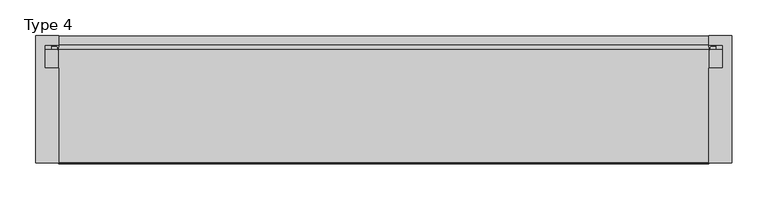
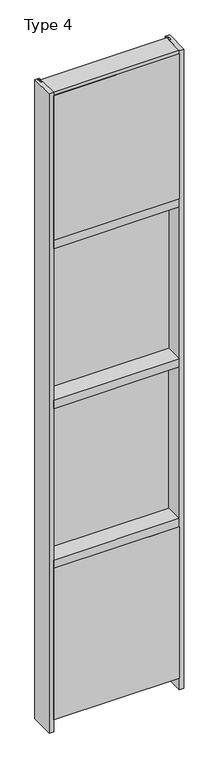
"""IFC4 building model written with IfcOpenShell, lengths in millimetres: plate geometry, Type 4."""

from ifc_helpers import new_model, si_unit, point, frame, frame_2d, origin, place, context, project, spatial, polyline, circle_curve, trimmed, segment, composite_curve, outline, extrude, source, transform, mapped, element, save


def type_4_b07758ad(model_context):
    return source(origin(), model_context, "Body", "SweptSolid", [
        extrude(outline(composite_curve([segment(polyline([(-454.1015008, 34.0361122), (-454.5124462, 27.686), (-455.4789521, 27.686), (-455.5064595, 31.7563748)]), True, "CONTINUOUS"), segment(trimmed(circle_curve(frame_2d((-456.141445, 31.7520836)), 0.635), [point((-455.5064595, 31.7563748))], [point((-456.1063642, 32.3861138))], True, "CARTESIAN"), True, "CONTINUOUS"), segment(polyline([(-456.1063642, 32.3861138), (-462.8617251, 32.7598869)]), True, "CONTINUOUS"), segment(trimmed(circle_curve(frame_2d((-462.6791718, 33.7593519)), 1.016), [point((-462.8617251, 32.7598869))], [point((-463.6567504, 34.0361122))], False, "CARTESIAN"), True, "CONTINUOUS"), segment(polyline([(-463.6567504, 34.0361122), (-454.1015008, 34.0361122)]), True, "CONTINUOUS")], self_intersect=False)), frame((0.0, 0.0, 3678.5728643), z_axis=(0.0, 0.0, 1.0), x_axis=(1.0, 0.0, 0.0)), (0.0, 0.0, 1.0), 1134.7271357),
        extrude(outline(composite_curve([segment(polyline([(454.5124462, 27.686), (454.1015008, 34.0361122), (463.6567504, 34.0361122)]), True, "CONTINUOUS"), segment(trimmed(circle_curve(frame_2d((462.6791718, 33.7593519)), 1.016), [point((463.6567504, 34.0361122))], [point((462.8617251, 32.7598869))], False, "CARTESIAN"), True, "CONTINUOUS"), segment(polyline([(462.8617251, 32.7598869), (456.1063642, 32.3861138)]), True, "CONTINUOUS"), segment(trimmed(circle_curve(frame_2d((456.141445, 31.7520836)), 0.635), [point((456.1063642, 32.3861138))], [point((455.5064595, 31.7563748))], True, "CARTESIAN"), True, "CONTINUOUS"), segment(polyline([(455.5064595, 31.7563748), (455.4789521, 27.686), (454.5124462, 27.686)]), True, "CONTINUOUS")], self_intersect=False)), frame((0.0, 0.0, 3678.5728643), z_axis=(0.0, 0.0, 1.0), x_axis=(1.0, 0.0, 0.0)), (0.0, 0.0, 1.0), 1134.7271357),
        extrude(outline(polyline([(34.0361122, 3678.5728643), (27.686, 3678.5728643), (27.686, 3691.0771952), (34.0361122, 3689.3238955), (34.0361122, 3678.5728643)])), frame((-463.6567504, 0.0, 0.0), z_axis=(1.0, 0.0, 0.0), x_axis=(0.0, 1.0, 0.0)), (0.0, 0.0, 1.0), 927.3135007),
        extrude(outline(polyline([(454.025, -48.514), (454.025, -131.0159103), (-454.025, -131.0159103), (-454.025, -48.514), (454.025, -48.514)])), frame((0.0, 0.0, 3689.35), z_axis=(0.0, 0.0, 1.0), x_axis=(1.0, 0.0, 0.0)), (0.0, 0.0, 1.0), 1104.9),
        extrude(outline(polyline([(473.075, 27.686), (473.075, 2.286), (-473.075, 2.286), (-473.075, 27.686), (473.075, 27.686)])), frame((0.0, 0.0, 3670.3), z_axis=(0.0, 0.0, 1.0), x_axis=(1.0, 0.0, 0.0)), (0.0, 0.0, 1.0), 1143.0),
        extrude(outline(polyline([(27.686, 2471.8752684), (34.036, 2470.1219997), (34.036, 2459.3709644), (27.686, 2459.3709644), (27.686, 2471.8752684)])), frame((-463.6578713, 0.0, 0.0), z_axis=(1.0, 0.0, 0.0), x_axis=(0.0, 1.0, 0.0)), (0.0, 0.0, 1.0), 927.3157427),
        extrude(outline(polyline([(27.6860992, 3636.6309356), (34.0360992, 3636.6309356), (34.0360992, 3625.8798775), (27.6860992, 3624.1266088), (27.6860992, 3636.6309356)])), frame((-463.6578713, 0.0, 0.0), z_axis=(1.0, 0.0, 0.0), x_axis=(0.0, 1.0, 0.0)), (0.0, 0.0, 1.0), 927.3157427),
        extrude(outline(composite_curve([segment(trimmed(circle_curve(frame_2d((-456.1425342, 31.7520836)), 0.635), [point((-455.5075487, 31.7563748))], [point((-456.1074534, 32.3861138))], True, "CARTESIAN"), True, "CONTINUOUS"), segment(polyline([(-456.1074534, 32.3861138), (-462.8628143, 32.7598869)]), True, "CONTINUOUS"), segment(trimmed(circle_curve(frame_2d((-462.6802611, 33.7593519)), 1.016), [point((-462.8628143, 32.7598869))], [point((-463.6578713, 34.036))], False, "CARTESIAN"), True, "CONTINUOUS"), segment(polyline([(-463.6578713, 34.036), (-454.1025972, 34.036), (-454.5135354, 27.686), (-455.4800413, 27.686), (-455.5075487, 31.7563748)]), True, "CONTINUOUS")], self_intersect=False)), frame((0.0, 0.0, 2459.3709644), z_axis=(0.0, 0.0, 1.0), x_axis=(1.0, 0.0, 0.0)), (0.0, 0.0, 1.0), 1177.2580861),
        extrude(outline(composite_curve([segment(polyline([(454.5135354, 27.686), (454.1025972, 34.036), (463.6578713, 34.036)]), True, "CONTINUOUS"), segment(trimmed(circle_curve(frame_2d((462.6802611, 33.7593519)), 1.016), [point((463.6578713, 34.036))], [point((462.8628143, 32.7598869))], False, "CARTESIAN"), True, "CONTINUOUS"), segment(polyline([(462.8628143, 32.7598869), (456.1074534, 32.3861138)]), True, "CONTINUOUS"), segment(trimmed(circle_curve(frame_2d((456.1425342, 31.7520836)), 0.635), [point((456.1074534, 32.3861138))], [point((455.5075487, 31.7563748))], True, "CARTESIAN"), True, "CONTINUOUS"), segment(polyline([(455.5075487, 31.7563748), (455.4800413, 27.686), (454.5135354, 27.686)]), True, "CONTINUOUS")], self_intersect=False)), frame((0.0, 0.0, 2459.3709644), z_axis=(0.0, 0.0, 1.0), x_axis=(1.0, 0.0, 0.0)), (0.0, 0.0, 1.0), 1177.2580861),
        extrude(outline(polyline([(473.0760892, 27.686), (473.0760892, 2.286), (-473.0760892, 2.286), (-473.0760892, 27.686), (473.0760892, 27.686)])), frame((0.0, 0.0, 2451.0962001), z_axis=(0.0, 0.0, 1.0), x_axis=(1.0, 0.0, 0.0)), (0.0, 0.0, 1.0), 1193.8037999),
        extrude(outline(polyline([(-485.775, -130.5814), (-485.775, 47.2186), (-454.0239108, 47.2186), (-454.0239108, 34.036), (-473.075, 34.036), (-473.075, 2.286), (-454.025, 2.286), (-454.025, -130.5814), (-485.775, -130.5814)])), frame((0.0, 0.0, -57.15), z_axis=(0.0, 0.0, 1.0), x_axis=(1.0, 0.0, 0.0)), (0.0, 0.0, 1.0), 4876.8),
        extrude(outline(polyline([(485.775, -130.5814), (454.025, -130.5814), (454.025, 2.286), (473.075, 2.286), (473.075, 34.036), (454.0239108, 34.036), (454.0239108, 47.2186), (485.775, 47.2186), (485.775, -130.5814)])), frame((0.0, 0.0, -57.15), z_axis=(0.0, 0.0, 1.0), x_axis=(1.0, 0.0, 0.0)), (0.0, 0.0, 1.0), 4876.8),
        extrude(outline(polyline([(27.686, 1252.6752684), (34.036, 1250.9219997), (34.036, 1240.1709644), (27.686, 1240.1709644), (27.686, 1252.6752684)])), frame((-463.6578713, 0.0, 0.0), z_axis=(1.0, 0.0, 0.0), x_axis=(0.0, 1.0, 0.0)), (0.0, 0.0, 1.0), 927.3157427),
        extrude(outline(polyline([(27.6860992, 2417.4309356), (34.0360992, 2417.4309356), (34.0360992, 2406.6798775), (27.6860992, 2404.9266088), (27.6860992, 2417.4309356)])), frame((-463.6578713, 0.0, 0.0), z_axis=(1.0, 0.0, 0.0), x_axis=(0.0, 1.0, 0.0)), (0.0, 0.0, 1.0), 927.3157427),
        extrude(outline(composite_curve([segment(trimmed(circle_curve(frame_2d((-456.1425342, 31.7520836)), 0.635), [point((-455.5075487, 31.7563748))], [point((-456.1074534, 32.3861138))], True, "CARTESIAN"), True, "CONTINUOUS"), segment(polyline([(-456.1074534, 32.3861138), (-462.8628143, 32.7598869)]), True, "CONTINUOUS"), segment(trimmed(circle_curve(frame_2d((-462.6802611, 33.7593519)), 1.016), [point((-462.8628143, 32.7598869))], [point((-463.6578713, 34.036))], False, "CARTESIAN"), True, "CONTINUOUS"), segment(polyline([(-463.6578713, 34.036), (-454.1025972, 34.036), (-454.5135354, 27.686), (-455.4800413, 27.686), (-455.5075487, 31.7563748)]), True, "CONTINUOUS")], self_intersect=False)), frame((0.0, 0.0, 1240.1709644), z_axis=(0.0, 0.0, 1.0), x_axis=(1.0, 0.0, 0.0)), (0.0, 0.0, 1.0), 1177.2580861),
        extrude(outline(composite_curve([segment(polyline([(454.5135354, 27.686), (454.1025972, 34.036), (463.6578713, 34.036)]), True, "CONTINUOUS"), segment(trimmed(circle_curve(frame_2d((462.6802611, 33.7593519)), 1.016), [point((463.6578713, 34.036))], [point((462.8628143, 32.7598869))], False, "CARTESIAN"), True, "CONTINUOUS"), segment(polyline([(462.8628143, 32.7598869), (456.1074534, 32.3861138)]), True, "CONTINUOUS"), segment(trimmed(circle_curve(frame_2d((456.1425342, 31.7520836)), 0.635), [point((456.1074534, 32.3861138))], [point((455.5075487, 31.7563748))], True, "CARTESIAN"), True, "CONTINUOUS"), segment(polyline([(455.5075487, 31.7563748), (455.4800413, 27.686), (454.5135354, 27.686)]), True, "CONTINUOUS")], self_intersect=False)), frame((0.0, 0.0, 1240.1709644), z_axis=(0.0, 0.0, 1.0), x_axis=(1.0, 0.0, 0.0)), (0.0, 0.0, 1.0), 1177.2580861),
        extrude(outline(polyline([(473.0760892, 27.686), (473.0760892, 2.286), (-473.0760892, 2.286), (-473.0760892, 27.686), (473.0760892, 27.686)])), frame((0.0, 0.0, 1231.8962001), z_axis=(0.0, 0.0, 1.0), x_axis=(1.0, 0.0, 0.0)), (0.0, 0.0, 1.0), 1193.8037999),
        extrude(outline(composite_curve([segment(polyline([(34.0360974, 1198.2282838), (34.0360974, 1187.3659828)]), True, "CONTINUOUS"), segment(trimmed(circle_curve(frame_2d((38.5198748, 1162.3648681)), 25.4), [point((34.0360974, 1187.3659828))], [point((27.686, 1185.3384868))], True, "CARTESIAN"), True, "CONTINUOUS"), segment(polyline([(27.686, 1185.3384868), (27.686, 1198.2282838), (34.0360974, 1198.2282838)]), True, "CONTINUOUS")], self_intersect=False)), frame((-473.075, 0.0, 0.0), z_axis=(1.0, 0.0, 0.0), x_axis=(0.0, 1.0, 0.0)), (0.0, 0.0, 1.0), 946.15),
        extrude(outline(composite_curve([segment(polyline([(-454.1015008, 34.0361122), (-454.5124462, 27.686), (-455.4789521, 27.686), (-455.5064595, 31.7563748)]), True, "CONTINUOUS"), segment(trimmed(circle_curve(frame_2d((-456.141445, 31.7520836)), 0.635), [point((-455.5064595, 31.7563748))], [point((-456.1063642, 32.3861138))], True, "CARTESIAN"), True, "CONTINUOUS"), segment(polyline([(-456.1063642, 32.3861138), (-462.8617251, 32.7598869)]), True, "CONTINUOUS"), segment(trimmed(circle_curve(frame_2d((-462.6791718, 33.7593519)), 1.016), [point((-462.8617251, 32.7598869))], [point((-463.6567504, 34.0361122))], False, "CARTESIAN"), True, "CONTINUOUS"), segment(polyline([(-463.6567504, 34.0361122), (-454.1015008, 34.0361122)]), True, "CONTINUOUS")], self_intersect=False)), frame((0.0, 0.0, 20.9728643), z_axis=(0.0, 0.0, 1.0), x_axis=(1.0, 0.0, 0.0)), (0.0, 0.0, 1.0), 1185.5271357),
        extrude(outline(composite_curve([segment(polyline([(454.5124462, 27.686), (454.1015008, 34.0361122), (463.6567504, 34.0361122)]), True, "CONTINUOUS"), segment(trimmed(circle_curve(frame_2d((462.6791718, 33.7593519)), 1.016), [point((463.6567504, 34.0361122))], [point((462.8617251, 32.7598869))], False, "CARTESIAN"), True, "CONTINUOUS"), segment(polyline([(462.8617251, 32.7598869), (456.1063642, 32.3861138)]), True, "CONTINUOUS"), segment(trimmed(circle_curve(frame_2d((456.141445, 31.7520836)), 0.635), [point((456.1063642, 32.3861138))], [point((455.5064595, 31.7563748))], True, "CARTESIAN"), True, "CONTINUOUS"), segment(polyline([(455.5064595, 31.7563748), (455.4789521, 27.686), (454.5124462, 27.686)]), True, "CONTINUOUS")], self_intersect=False)), frame((0.0, 0.0, 20.9728643), z_axis=(0.0, 0.0, 1.0), x_axis=(1.0, 0.0, 0.0)), (0.0, 0.0, 1.0), 1185.5271357),
        extrude(outline(polyline([(34.0361122, 20.9728643), (27.686, 20.9728643), (27.686, 33.4771952), (34.0361122, 31.7238955), (34.0361122, 20.9728643)])), frame((-463.6567504, 0.0, 0.0), z_axis=(1.0, 0.0, 0.0), x_axis=(0.0, 1.0, 0.0)), (0.0, 0.0, 1.0), 927.3135007),
        extrude(outline(polyline([(454.025, -48.514), (454.025, -131.0159103), (-454.025, -131.0159103), (-454.025, -48.514), (454.025, -48.514)])), frame((0.0, 0.0, 31.75), z_axis=(0.0, 0.0, 1.0), x_axis=(1.0, 0.0, 0.0)), (0.0, 0.0, 1.0), 1155.7),
        extrude(outline(polyline([(473.075, 27.686), (473.075, 2.286), (-473.075, 2.286), (-473.075, 27.686), (473.075, 27.686)])), frame((0.0, 0.0, 12.7), z_axis=(0.0, 0.0, 1.0), x_axis=(1.0, 0.0, 0.0)), (0.0, 0.0, 1.0), 1193.8),
        extrude(outline(polyline([(0.0, 3689.35), (0.0, 3670.3), (34.13125, 3670.3), (34.13125, 3689.3462001), (46.83125, 3689.3462001), (46.83125, 3625.8462001), (34.13125, 3625.8462001), (34.13125, 3644.9), (0.0, 3644.9), (0.0, 3625.85), (-130.175, 3625.85), (-130.175, 3689.35), (0.0, 3689.35)])), frame((-454.025, 0.0, 0.0), z_axis=(1.0, 0.0, 0.0), x_axis=(0.0, 1.0, 0.0)), (0.0, 0.0, 1.0), 908.05),
        extrude(outline(polyline([(0.0, 2470.15), (0.0, 2451.1), (34.13125, 2451.1), (34.13125, 2470.1462001), (46.83125, 2470.1462001), (46.83125, 2406.6462001), (34.13125, 2406.6462001), (34.13125, 2425.7), (0.0, 2425.7), (0.0, 2406.65), (-130.175, 2406.65), (-130.175, 2470.15), (0.0, 2470.15)])), frame((-454.025, 0.0, 0.0), z_axis=(1.0, 0.0, 0.0), x_axis=(0.0, 1.0, 0.0)), (0.0, 0.0, 1.0), 908.05),
        extrude(outline(polyline([(-130.0734, 4819.65), (27.686, 4819.65), (27.686, 4813.3), (0.0, 4813.3), (0.0, 4794.251832), (-130.0734, 4794.251832), (-130.0734, 4819.65)])), frame((-454.025, 0.0, 0.0), z_axis=(1.0, 0.0, 0.0), x_axis=(0.0, 1.0, 0.0)), (0.0, 0.0, 1.0), 908.05),
        extrude(outline(polyline([(0.0, 1250.95), (0.0, 1231.9), (34.13125, 1231.9), (34.13125, 1250.9462001), (46.83125, 1250.9462001), (46.83125, 1187.4462001), (34.13125, 1187.4462001), (34.13125, 1206.5), (0.0, 1206.5), (0.0, 1187.45), (-130.175, 1187.45), (-130.175, 1250.95), (0.0, 1250.95)])), frame((-454.025, 0.0, 0.0), z_axis=(1.0, 0.0, 0.0), x_axis=(0.0, 1.0, 0.0)), (0.0, 0.0, 1.0), 908.05),
    ])


if __name__ == "__main__":
    model = new_model("IFC4")
    model_context = context("Model", 3, world=origin())
    ifc_project = project(units=[si_unit("LENGTHUNIT", "METRE", prefix="MILLI")], contexts=[model_context])
    site = spatial("IfcSite", under=ifc_project)
    building = spatial("IfcBuilding", under=site)
    placement = place(None, origin())
    type_4_shape = type_4_b07758ad(model_context)
    element("IfcPlate", 1, ObjectType="Type 4", at=placement, inside=building, context=model_context, shape_type="MappedRepresentation", body=[
        mapped(type_4_shape, transform((0.0, 0.0, 0.0), x_axis=(1.0, 0.0, 0.0), y_axis=(0.0, 1.0, 0.0), z_axis=(0.0, 0.0, 1.0))),
    ])
    save(model, "model.ifc")
